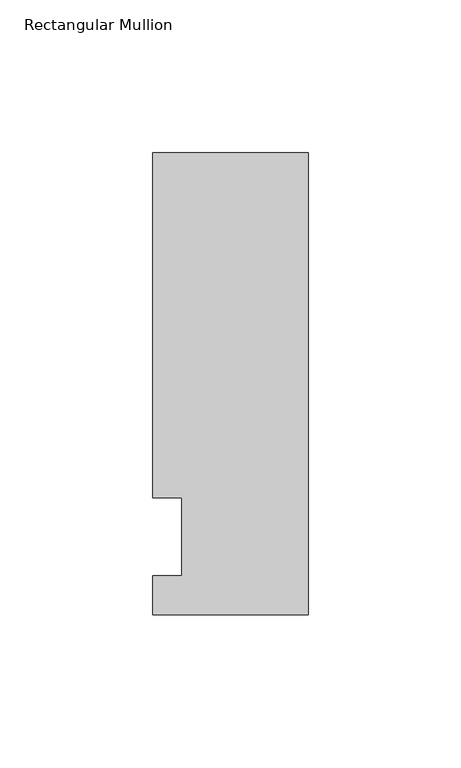
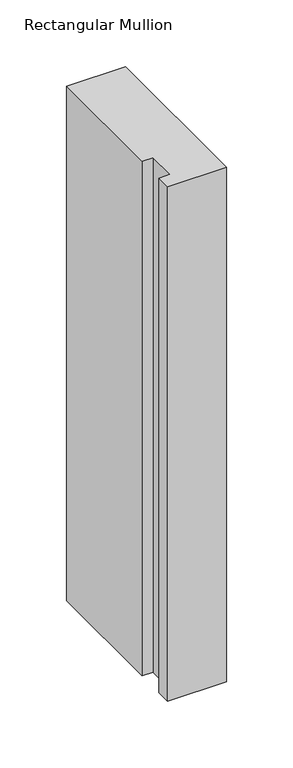
"""IFC4 building model written with IfcOpenShell, lengths in millimetres: member geometry, Rectangular Mullion."""

from ifc_helpers import new_model, si_unit, frame, origin, place, context, project, spatial, polyline, outline, extrude, source, transform, mapped, element, save


def rectangular_mullion_a6028422(model_context):
    return source(origin(), model_context, "Body", "SweptSolid", [
        extrude(outline(polyline([(-50.8, -25.5984375), (-50.8, -12.7), (-41.275, -12.7), (-41.275, 12.7), (-50.8, 12.7), (-50.8, 125.6109375), (0.0, 125.6109375), (0.0, -25.5984375), (-50.8, -25.5984375)])), frame((0.0, 0.0, -470.182795), z_axis=(0.0, 0.0, 1.0), x_axis=(1.0, 0.0, 0.0)), (0.0, 0.0, 1.0), 470.182795),
    ])


if __name__ == "__main__":
    model = new_model("IFC4")
    model_context = context("Model", 3, world=origin())
    ifc_project = project(units=[si_unit("LENGTHUNIT", "METRE", prefix="MILLI")], contexts=[model_context])
    site = spatial("IfcSite", under=ifc_project)
    building = spatial("IfcBuilding", under=site)
    placement = place(None, origin())
    rectangular_mullion_shape = rectangular_mullion_a6028422(model_context)
    element("IfcMember", 1, ObjectType="Rectangular Mullion", at=placement, inside=building, context=model_context, shape_type="MappedRepresentation", body=[
        mapped(rectangular_mullion_shape, transform((0.0, 0.0, 0.0), x_axis=(1.0, 0.0, 0.0), y_axis=(0.0, 1.0, 0.0), z_axis=(0.0, 0.0, 1.0))),
    ])
    save(model, "model.ifc")
